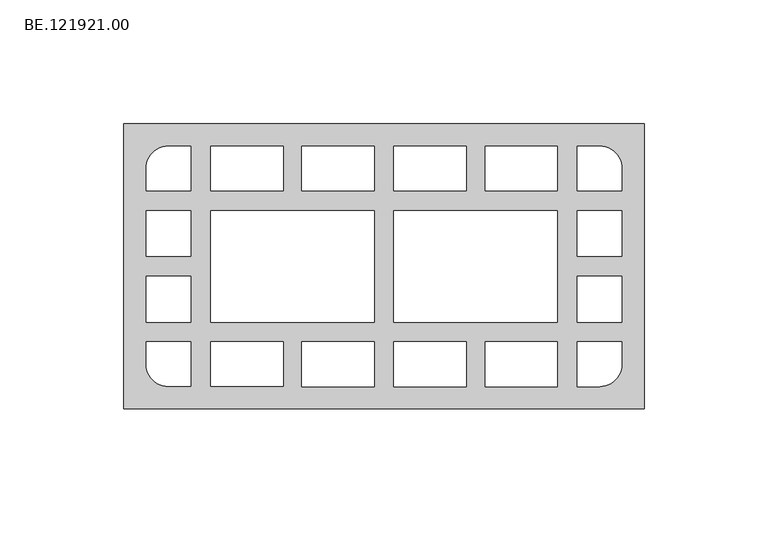
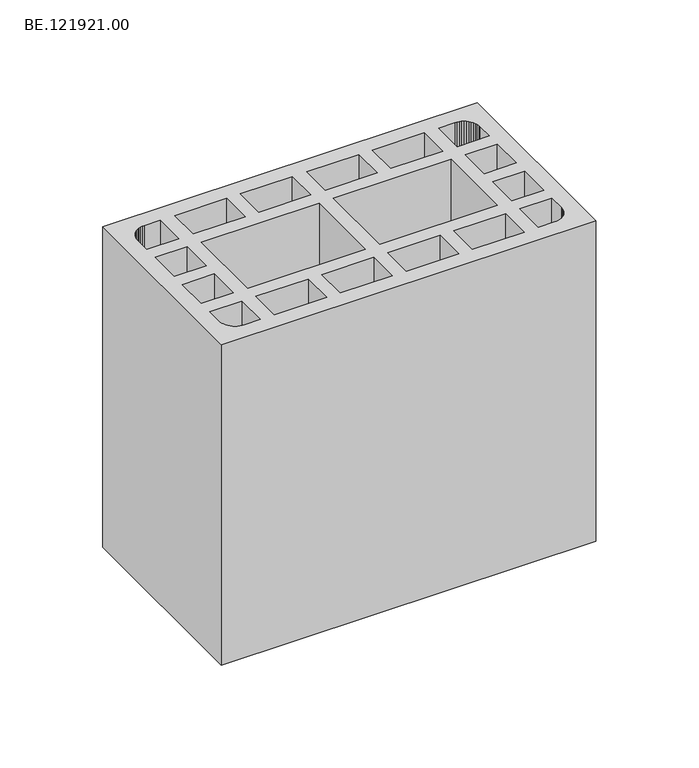
"""IFC4 building model written with IfcOpenShell, lengths in millimetres: proxy geometry, BE.121921.00."""

from ifc_helpers import new_model, si_unit, origin, origin_with_axes, place, context, project, spatial, polyline, outline, extrude, source, transform, mapped, element, save


def be_121921_00_6d974d9b(model_context):
    return source(origin(), model_context, "Body", "SweptSolid", [
        extrude(outline(polyline([(214.9964844, 57.5034668), (214.9964844, -57.5034668), (5.0, -57.5034668), (5.0, 57.5034668), (214.9964844, 57.5034668)]), holes=[polyline([(69.2379395, 48.4993652), (39.9932129, 48.4993652), (39.9932129, 30.5097656), (69.2379395, 30.5097656), (69.2379395, 48.4993652)]), polyline([(105.9984863, 22.5009521), (39.9932129, 22.5009521), (39.9932129, -22.5009521), (105.9984863, -22.5009521), (105.9984863, 22.5009521)]), polyline([(69.2379395, -48.4993652), (69.2379395, -30.5004639), (39.9932129, -30.5004639), (39.9932129, -48.4993652), (69.2379395, -48.4993652)]), polyline([(32.0020996, 22.5009521), (14.0125, 22.5009521), (14.0125, 3.9997559), (32.0020996, 3.9997559), (32.0020996, 22.5009521)]), polyline([(32.0020996, -22.5009521), (32.0020996, -3.9997559), (14.0125, -3.9997559), (14.0125, -22.5009521), (32.0020996, -22.5009521)]), polyline([(14.0041016, 30.5004639), (32.0030029, 30.5004639), (32.0030029, 48.4993652), (23.0082031, 48.4993652), (21.8268799, 48.4249512), (20.6734619, 48.1924072), (19.557251, 47.8203369), (18.5061523, 47.2994385), (17.5294678, 46.6390137), (16.636499, 45.8669678), (15.8644531, 44.9833008), (15.2133301, 43.9973145), (14.6924316, 42.9462158), (14.3110596, 41.8300049), (14.0785156, 40.6765869), (14.0041016, 39.5045654), (14.0041016, 30.5004639)]), polyline([(14.0041016, -30.5004639), (14.0041016, -39.5045654), (14.0785156, -40.6765869), (14.3110596, -41.8300049), (14.6924316, -42.9462158), (15.2133301, -43.9973145), (15.8644531, -44.9833008), (16.636499, -45.8669678), (17.5294678, -46.6390137), (18.5061523, -47.2994385), (19.557251, -47.8203369), (20.6734619, -48.1924072), (21.8268799, -48.4249512), (23.0082031, -48.4993652), (32.0030029, -48.4993652), (32.0030029, -30.5004639), (14.0041016, -30.5004639)]), polyline([(105.9984863, 48.5040161), (76.7723633, 48.5040161), (76.7723633, 30.495813), (105.9984863, 30.495813), (105.9984863, 48.5040161)]), polyline([(113.997998, 30.495813), (143.2241211, 30.495813), (143.2241211, 48.5040161), (113.997998, 48.5040161), (113.997998, 30.495813)]), polyline([(180.0032715, 22.4963013), (113.997998, 22.4963013), (113.997998, -22.4963013), (180.0032715, -22.4963013), (180.0032715, 22.4963013)]), polyline([(105.9984863, -48.5040161), (105.9984863, -30.5051147), (76.7723633, -30.5051147), (76.7723633, -48.5040161), (105.9984863, -48.5040161)]), polyline([(143.2241211, -30.5051147), (113.997998, -30.5051147), (113.997998, -48.5040161), (143.2241211, -48.5040161), (143.2241211, -30.5051147)]), polyline([(180.0032715, -30.5051147), (150.7771484, -30.5051147), (150.7771484, -48.5040161), (180.0032715, -48.5040161), (180.0032715, -30.5051147)]), polyline([(150.7771484, 30.495813), (180.0032715, 30.495813), (180.0032715, 48.5040161), (150.7771484, 48.5040161), (150.7771484, 30.495813)]), polyline([(188.0027832, 30.495813), (206.0109863, 30.495813), (206.0109863, 39.4999146), (205.9179688, 40.671936), (205.6947266, 41.825354), (205.3226563, 42.9415649), (204.8017578, 44.0019653), (204.1506348, 44.9786499), (203.3692871, 45.8623169), (202.4763184, 46.6436646), (201.5089355, 47.2947876), (200.4485352, 47.815686), (199.3323242, 48.1970581), (198.1789063, 48.4203003), (197.0068848, 48.5040161), (188.0027832, 48.5040161), (188.0027832, 30.495813)]), polyline([(206.0109863, 22.4963013), (188.0027832, 22.4963013), (188.0027832, 3.995105), (206.0109863, 3.995105), (206.0109863, 22.4963013)]), polyline([(206.0109863, -4.0044067), (188.0027832, -4.0044067), (188.0027832, -22.4963013), (206.0109863, -22.4963013), (206.0109863, -4.0044067)]), polyline([(206.0109863, -30.5051147), (188.0027832, -30.5051147), (188.0027832, -48.5040161), (197.0068848, -48.5040161), (198.1789063, -48.4203003), (199.3323242, -48.1970581), (200.4485352, -47.815686), (201.5089355, -47.2947876), (202.4763184, -46.6436646), (203.3692871, -45.8623169), (204.1506348, -44.9786499), (204.8017578, -44.0019653), (205.3226563, -42.9415649), (205.6947266, -41.825354), (205.9179688, -40.671936), (206.0109863, -39.4999146), (206.0109863, -30.5051147)])]), origin_with_axes(), (0.0, 0.0, 1.0), 190.0),
    ])


if __name__ == "__main__":
    model = new_model("IFC4")
    model_context = context("Model", 3, world=origin())
    ifc_project = project(units=[si_unit("LENGTHUNIT", "METRE", prefix="MILLI")], contexts=[model_context])
    site = spatial("IfcSite", under=ifc_project)
    building = spatial("IfcBuilding", under=site)
    placement = place(None, origin())
    be_121921_00_shape = be_121921_00_6d974d9b(model_context)
    element("IfcBuildingElementProxy", 1, Name="BE.121921.00", ObjectType="BE.121921.00", at=placement, inside=building, context=model_context, shape_type="MappedRepresentation", body=[
        mapped(be_121921_00_shape, transform((0.0, 0.0, 0.0), x_axis=(1.0, 0.0, 0.0), y_axis=(0.0, 1.0, 0.0), z_axis=(0.0, 0.0, 1.0))),
    ])
    save(model, "model.ifc")
